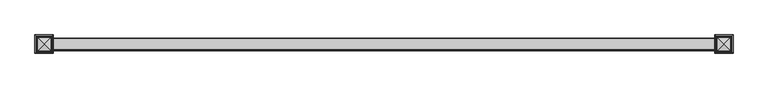
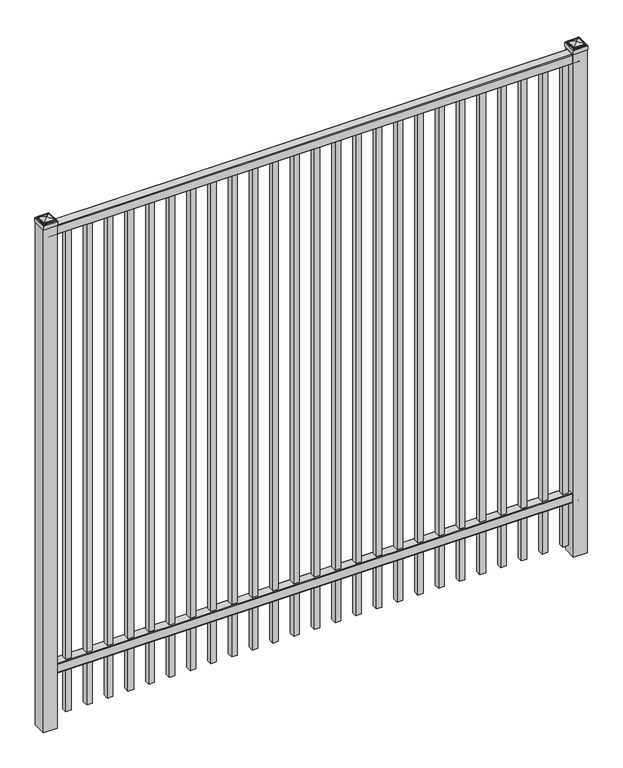
"""IFC4 building model written with IfcOpenShell, lengths in millimetres: railing geometry."""

import ifcopenshell
import ifcopenshell.guid

model = None  # the IFC model being written
_history = None  # IfcOwnerHistory: only IFC2X3 demands one
_inside = {}  # id of a spatial element -> (the spatial element, [elements in it])
_under = {}  # id of a project, library or spatial element -> (it, [spatial elements below it])
_declared = {}  # id of a project -> (the project, [libraries it declares])
_typed = {}  # id of a type object -> (the type object, [elements of that type])
_made_of = {}  # id of a material, layer set ... -> (it, [elements and type objects made of it])


def new_model(schema):
    """Start an empty IFC model of exactly this schema.

    Asked for "IFC4X3", IfcOpenShell would pick the latest addendum, in which some entities
    have other attributes; the version numbers below select the first issue.
    IFC2X3 requires an IfcOwnerHistory on every rooted entity: one is made here for all.
    """
    global model, _history
    if schema == "IFC4X3":
        model = ifcopenshell.file(schema_version=(4, 3, 0, 0))
    else:
        model = ifcopenshell.file(schema=schema)
    _inside.clear()
    _under.clear()
    _declared.clear()
    _typed.clear()
    _made_of.clear()
    _history = None
    if model.schema == "IFC2X3":
        org = make("IfcOrganization", Name="unknown")
        user = make(
            "IfcPersonAndOrganization",
            ThePerson=make("IfcPerson", FamilyName="unknown"),
            TheOrganization=org,
        )
        app = make(
            "IfcApplication",
            ApplicationDeveloper=org,
            Version="unknown",
            ApplicationFullName="unknown",
            ApplicationIdentifier="unknown",
        )
        _history = make(
            "IfcOwnerHistory",
            OwningUser=user,
            OwningApplication=app,
            ChangeAction="ADDED",
            CreationDate=0,
        )
    return model


def make(cls, **values):
    """One entity of the class cls with the attributes given. An attribute that is None is left unset."""
    return model.create_entity(
        cls, **{name: value for name, value in values.items() if value is not None}
    )


def rooted(cls, **values):
    """An entity with a GlobalId (a new one), such as an element, a storey or a relation."""
    return make(cls, GlobalId=ifcopenshell.guid.new(), OwnerHistory=_history, **values)


def si_unit(unit_type, name, prefix=None):
    """IfcSIUnit, for example si_unit("LENGTHUNIT", "METRE", prefix="MILLI")."""
    return make("IfcSIUnit", UnitType=unit_type, Prefix=prefix, Name=name)


def assignment(units):
    """IfcUnitAssignment: the units of a project."""
    return None if units is None else make("IfcUnitAssignment", Units=units)


def point(xyz):
    """IfcCartesianPoint."""
    return None if xyz is None else make("IfcCartesianPoint", Coordinates=xyz)


def direction(xyz):
    """IfcDirection."""
    return None if xyz is None else make("IfcDirection", DirectionRatios=xyz)


def frame(location, z_axis=None, x_axis=None):
    """IfcAxis2Placement3D, a coordinate frame: its origin and axes. An axis left out is left unset."""
    return make(
        "IfcAxis2Placement3D",
        Location=point(location),
        Axis=direction(z_axis),
        RefDirection=direction(x_axis),
    )


def frame_2d(location, x_axis=None):
    """IfcAxis2Placement2D, a coordinate frame in the plane: its origin and x axis."""
    return make(
        "IfcAxis2Placement2D", Location=point(location), RefDirection=direction(x_axis)
    )


def origin():
    """The frame at (0, 0, 0) with its axes left unset."""
    return frame((0.0, 0.0, 0.0))


def origin_with_axes():
    """The frame at (0, 0, 0) with the z axis (0, 0, 1) and the x axis (1, 0, 0) written out."""
    return frame((0.0, 0.0, 0.0), z_axis=(0.0, 0.0, 1.0), x_axis=(1.0, 0.0, 0.0))


def place(relative_to, where):
    """IfcLocalPlacement: puts the frame where relative to a parent placement (None: the world)."""
    return make(
        "IfcLocalPlacement", PlacementRelTo=relative_to, RelativePlacement=where
    )


def context(
    kind, dimensions, precision=None, world=None, true_north=None, identifier=None
):
    """IfcGeometricRepresentationContext, for example the 3D "Model" context."""
    return make(
        "IfcGeometricRepresentationContext",
        ContextIdentifier=identifier,
        ContextType=kind,
        CoordinateSpaceDimension=dimensions,
        Precision=precision,
        WorldCoordinateSystem=world,
        TrueNorth=true_north,
    )


def project(units=None, contexts=None):
    """IfcProject with its units and contexts."""
    return rooted(
        "IfcProject",
        Name="project",
        RepresentationContexts=contexts,
        UnitsInContext=assignment(units),
    )


def spatial(cls, under=None, at=None, **own):
    """A site, building, storey or space (cls), placed at a placement, below another one or the project."""
    s = rooted(cls, ObjectPlacement=at, **own)
    if under is not None:
        _under.setdefault(under.id(), (under, []))[1].append(s)
    return s


def polyline(points):
    """IfcPolyline through the points."""
    return make("IfcPolyline", Points=[point(p) for p in points])


def circle_curve(where, radius):
    """IfcCircle in the frame where."""
    return make("IfcCircle", Position=where, Radius=radius)


def ellipse_curve(where, semi_axis1, semi_axis2):
    """IfcEllipse in the frame where."""
    return make(
        "IfcEllipse", Position=where, SemiAxis1=semi_axis1, SemiAxis2=semi_axis2
    )


def trimmed(basis, trim1, trim2, sense, master):
    """IfcTrimmedCurve: the piece of a basis curve between two trims."""
    return make(
        "IfcTrimmedCurve",
        BasisCurve=basis,
        Trim1=trim1,
        Trim2=trim2,
        SenseAgreement=sense,
        MasterRepresentation=master,
    )


def segment(curve, same_sense, transition):
    """IfcCompositeCurveSegment."""
    return make(
        "IfcCompositeCurveSegment",
        Transition=transition,
        SameSense=same_sense,
        ParentCurve=curve,
    )


def composite_curve(segments, self_intersect=None):
    """IfcCompositeCurve: segments joined end to end."""
    return make("IfcCompositeCurve", Segments=segments, SelfIntersect=self_intersect)


def outline(outer, holes=None, kind="AREA"):
    """IfcArbitraryClosedProfileDef: a profile drawn as a closed curve; with holes, ...WithVoids."""
    if holes is None:
        return make("IfcArbitraryClosedProfileDef", ProfileType=kind, OuterCurve=outer)
    return make(
        "IfcArbitraryProfileDefWithVoids",
        ProfileType=kind,
        OuterCurve=outer,
        InnerCurves=holes,
    )


def extrude(swept, where, along, depth):
    """IfcExtrudedAreaSolid: the profile swept, set in the frame where, extruded along a direction by depth."""
    return make(
        "IfcExtrudedAreaSolid",
        SweptArea=swept,
        Position=where,
        ExtrudedDirection=direction(along),
        Depth=depth,
    )


def shape(context_of_items, identifier, shape_type, items):
    """IfcShapeRepresentation: the items that make up one representation, for example the "Body"."""
    return make(
        "IfcShapeRepresentation",
        ContextOfItems=context_of_items,
        RepresentationIdentifier=identifier,
        RepresentationType=shape_type,
        Items=items,
    )


def source(mapping_origin, context_of_items, identifier, shape_type, items):
    """IfcRepresentationMap: a shape defined once, which mapped items show again and again."""
    return make(
        "IfcRepresentationMap",
        MappingOrigin=mapping_origin,
        MappedRepresentation=shape(context_of_items, identifier, shape_type, items),
    )


def transform(
    local_origin,
    x_axis=None,
    y_axis=None,
    z_axis=None,
    scale=None,
    scale2=None,
    scale3=None,
    uniform=True,
):
    """IfcCartesianTransformationOperator3D, or its non-uniform kind. x_axis, y_axis, z_axis: its Axis1, 2, 3."""
    if uniform:
        return make(
            "IfcCartesianTransformationOperator3D",
            Axis1=direction(x_axis),
            Axis2=direction(y_axis),
            LocalOrigin=point(local_origin),
            Scale=scale,
            Axis3=direction(z_axis),
        )
    return make(
        "IfcCartesianTransformationOperator3DnonUniform",
        Axis1=direction(x_axis),
        Axis2=direction(y_axis),
        LocalOrigin=point(local_origin),
        Scale=scale,
        Axis3=direction(z_axis),
        Scale2=scale2,
        Scale3=scale3,
    )


def mapped(mapping_source, mapping_target):
    """IfcMappedItem: shows the shape of a source again, moved by a transform."""
    return make(
        "IfcMappedItem", MappingSource=mapping_source, MappingTarget=mapping_target
    )


def made_of(thing, what):
    """Note that an element or type object is made of a material, layer set ...; save() writes the relation."""
    if what is not None:
        _made_of.setdefault(what.id(), (what, []))[1].append(thing)
    return thing


def element(
    cls,
    number,
    at=None,
    inside=None,
    cuts=None,
    type_object=None,
    material=None,
    context=None,
    identifier="Body",
    shape_type=None,
    held_by="IfcProductDefinitionShape",
    body=None,
    shapes=None,
    **own,
):
    """One element of the class cls, such as IfcWall. Its Tag is "e" and its number.

    at: its placement. inside: the storey or other place that contains it. cuts: it is an
    opening in that element (IfcRelVoidsElement). A single representation is given by context,
    identifier, shape_type and body (its items); several are given by shapes. held_by: the class
    of the entity that holds the representations. save() writes the other relations.
    """
    e = rooted(cls, Tag="e%d" % number, ObjectPlacement=at, **own)
    if body is not None:
        shapes = [shape(context, identifier, shape_type, body)]
    if shapes is not None:
        e.Representation = make(held_by, Representations=shapes)
    if inside is not None:
        _inside.setdefault(inside.id(), (inside, []))[1].append(e)
    if cuts is not None:
        rooted(
            "IfcRelVoidsElement", RelatingBuildingElement=cuts, RelatedOpeningElement=e
        )
    if type_object is not None:
        _typed.setdefault(type_object.id(), (type_object, []))[1].append(e)
    return made_of(e, material)


def aggregate(whole, parts):
    """IfcRelAggregates: a whole, such as a stair, and the parts it consists of."""
    return rooted("IfcRelAggregates", RelatingObject=whole, RelatedObjects=parts)


def save(model, path):
    """Write the relations noted so far, then the file.

    IfcRelAggregates (storeys below a building ...), IfcRelContainedInSpatialStructure (elements
    in a storey), IfcRelDefinesByType, IfcRelAssociatesMaterial and IfcRelDeclares: one each for
    every whole, place, type object, material and project.
    """
    for whole, parts in _under.values():
        aggregate(whole, parts)
    for where, things in _inside.values():
        rooted(
            "IfcRelContainedInSpatialStructure",
            RelatedElements=things,
            RelatingStructure=where,
        )
    for kind, things in _typed.values():
        rooted("IfcRelDefinesByType", RelatedObjects=things, RelatingType=kind)
    for what, things in _made_of.values():
        rooted("IfcRelAssociatesMaterial", RelatedObjects=things, RelatingMaterial=what)
    for by, libraries in _declared.values():
        rooted("IfcRelDeclares", RelatingContext=by, RelatedDefinitions=libraries)
    model.write(path)


def plane_surface(at):
    """IfcPlane: the flat surface through the origin of the frame at, square to its z axis."""
    return make("IfcPlane", Position=at)


def cylinder_surface(at, radius):
    """IfcCylindricalSurface: all points at the distance radius from the z axis of the frame at."""
    return make("IfcCylindricalSurface", Position=at, Radius=radius)


def advanced_brep(points, edges, surfaces, faces):
    """IfcAdvancedBrep: a solid bounded by faces that lie on surfaces and meet in shared edges.

    An edge is (start, end): straight between two places in points (the first is 0);
    or (start, end, curve); or (start, end, curve, False) where it runs against its curve.
    A face is (place in surfaces, loops), or (place, loops, False) where it looks against
    its surface's normal. A loop lists edges by number (the first is 1), with a minus sign
    where the edge is run from its end to its start. The first loop is the outer one.
    """
    corners = [point(p) for p in points]
    vertices = [make("IfcVertexPoint", VertexGeometry=c) for c in corners]
    made = []
    for start, end, *more in edges:
        made.append(
            make(
                "IfcEdgeCurve",
                EdgeStart=vertices[start],
                EdgeEnd=vertices[end],
                EdgeGeometry=more[0] if more else make("IfcPolyline", Points=[corners[start], corners[end]]),
                SameSense=more[1] if len(more) > 1 else True,
            )
        )
    hull = []
    for where, loops, *sense in faces:
        bounds = []
        for j, loop in enumerate(loops):
            ring = [make("IfcOrientedEdge", EdgeElement=made[abs(k) - 1], Orientation=k > 0) for k in loop]
            bounds.append(
                make(
                    "IfcFaceOuterBound" if j == 0 else "IfcFaceBound",
                    Bound=make("IfcEdgeLoop", EdgeList=ring),
                    Orientation=True,
                )
            )
        hull.append(make("IfcAdvancedFace", Bounds=bounds, FaceSurface=surfaces[where], SameSense=sense[0] if sense else True))
    return make("IfcAdvancedBrep", Outer=make("IfcClosedShell", CfsFaces=hull))


def railing_b44b1d10(model_context):
    return source(origin(), model_context, "Body", "SolidModel", [
        extrude(outline(composite_curve([segment(polyline([(7301.9139761, 304.8), (7339.969541, 304.8)]), True, "CONTINUOUS"), segment(trimmed(circle_curve(frame_2d((7339.969541, 301.625)), 3.175), [point((7339.969541, 304.8))], [point((7343.144541, 301.625))], False, "CARTESIAN"), True, "CONTINUOUS"), segment(polyline([(7343.144541, 301.625), (7343.144541, 262.1439893)]), True, "CONTINUOUS"), segment(trimmed(circle_curve(frame_2d((7341.3505518, 262.1439893)), 1.7939893), [point((7343.144541, 262.1439893))], [point((7341.3505518, 260.35))], False, "CARTESIAN"), True, "CONTINUOUS"), segment(polyline([(7341.3505518, 260.35), (7338.7590713, 260.35)]), True, "CONTINUOUS"), segment(trimmed(circle_curve(frame_2d((7338.7590713, 262.1359375)), 1.7859375), [point((7338.7590713, 260.35))], [point((7336.9755813, 262.0424688))], False, "CARTESIAN"), True, "CONTINUOUS"), segment(polyline([(7336.9755813, 262.0424688), (7335.4025867, 292.0569942), (7306.4364954, 292.0569942), (7304.8635007, 262.0424688)]), True, "CONTINUOUS"), segment(trimmed(circle_curve(frame_2d((7303.0800108, 262.1359375)), 1.7859375), [point((7304.8635007, 262.0424688))], [point((7303.0800108, 260.35))], False, "CARTESIAN"), True, "CONTINUOUS"), segment(polyline([(7303.0800108, 260.35), (7300.4804785, 260.35)]), True, "CONTINUOUS"), segment(trimmed(circle_curve(frame_2d((7300.4804785, 262.1359375)), 1.7859375), [point((7300.4804785, 260.35))], [point((7298.694541, 262.1359375))], False, "CARTESIAN"), True, "CONTINUOUS"), segment(polyline([(7298.694541, 262.1359375), (7298.694541, 301.5805649)]), True, "CONTINUOUS"), segment(trimmed(circle_curve(frame_2d((7301.9139761, 301.5805649)), 3.2194351), [point((7298.694541, 301.5805649))], [point((7301.9139761, 304.8))], False, "CARTESIAN"), True, "CONTINUOUS")], self_intersect=False)), frame((-15337.0649936, 0.0, 0.0), z_axis=(1.0, 0.0, 0.0), x_axis=(0.0, 1.0, 0.0)), (0.0, 0.0, 1.0), 2438.4),
        extrude(outline(composite_curve([segment(polyline([(7301.9139761, 2438.4), (7339.969541, 2438.4)]), True, "CONTINUOUS"), segment(trimmed(circle_curve(frame_2d((7339.969541, 2435.225)), 3.175), [point((7339.969541, 2438.4))], [point((7343.144541, 2435.225))], False, "CARTESIAN"), True, "CONTINUOUS"), segment(polyline([(7343.144541, 2435.225), (7343.144541, 2395.7439893)]), True, "CONTINUOUS"), segment(trimmed(circle_curve(frame_2d((7341.3505518, 2395.7439893)), 1.7939893), [point((7343.144541, 2395.7439893))], [point((7341.3505518, 2393.95))], False, "CARTESIAN"), True, "CONTINUOUS"), segment(polyline([(7341.3505518, 2393.95), (7338.7590713, 2393.95)]), True, "CONTINUOUS"), segment(trimmed(circle_curve(frame_2d((7338.7590713, 2395.7359375)), 1.7859375), [point((7338.7590713, 2393.95))], [point((7336.9755813, 2395.6424688))], False, "CARTESIAN"), True, "CONTINUOUS"), segment(polyline([(7336.9755813, 2395.6424688), (7335.4025867, 2425.6569942), (7306.4364954, 2425.6569942), (7304.8635007, 2395.6424688)]), True, "CONTINUOUS"), segment(trimmed(circle_curve(frame_2d((7303.0800108, 2395.7359375)), 1.7859375), [point((7304.8635007, 2395.6424688))], [point((7303.0800108, 2393.95))], False, "CARTESIAN"), True, "CONTINUOUS"), segment(polyline([(7303.0800108, 2393.95), (7300.4804785, 2393.95)]), True, "CONTINUOUS"), segment(trimmed(circle_curve(frame_2d((7300.4804785, 2395.7359375)), 1.7859375), [point((7300.4804785, 2393.95))], [point((7298.694541, 2395.7359375))], False, "CARTESIAN"), True, "CONTINUOUS"), segment(polyline([(7298.694541, 2395.7359375), (7298.694541, 2435.1805649)]), True, "CONTINUOUS"), segment(trimmed(circle_curve(frame_2d((7301.9139761, 2435.1805649)), 3.2194351), [point((7298.694541, 2435.1805649))], [point((7301.9139761, 2438.4))], False, "CARTESIAN"), True, "CONTINUOUS")], self_intersect=False)), frame((-15337.0649936, 0.0, 0.0), z_axis=(1.0, 0.0, 0.0), x_axis=(0.0, 1.0, 0.0)), (0.0, 0.0, 1.0), 2438.4),
        extrude(outline(polyline([(0.0, -2343.15), (0.0, 0.0), (25.4, 0.0), (25.4, -2343.15), (0.0, -2343.15)])), frame((-12943.1149864, 7333.619541, 2393.95), z_axis=(-1.0, 0.0, 1.7709660025718264e-09), x_axis=(0.0, -1.0, 0.0)), (0.0, 0.0, 1.0), 25.4),
        extrude(outline(polyline([(0.0, -2343.15), (0.0, 0.0), (25.4, 0.0), (25.4, -2343.15), (0.0, -2343.15)])), frame((-13038.3649864, 7333.619541, 2393.95), z_axis=(-1.0, 0.0, 1.7709660025718264e-09), x_axis=(0.0, -1.0, 0.0)), (0.0, 0.0, 1.0), 25.4),
        extrude(outline(polyline([(0.0, -2343.15), (0.0, 0.0), (25.4, 0.0), (25.4, -2343.15), (0.0, -2343.15)])), frame((-13133.6149864, 7333.619541, 2393.95), z_axis=(-1.0, 0.0, 1.7709660025718264e-09), x_axis=(0.0, -1.0, 0.0)), (0.0, 0.0, 1.0), 25.4),
        extrude(outline(polyline([(0.0, -2343.15), (0.0, 0.0), (25.4, 0.0), (25.4, -2343.15), (0.0, -2343.15)])), frame((-13228.8649864, 7333.619541, 2393.95), z_axis=(-1.0, 0.0, 1.7709660025718264e-09), x_axis=(0.0, -1.0, 0.0)), (0.0, 0.0, 1.0), 25.4),
        extrude(outline(polyline([(0.0, -2343.15), (0.0, 0.0), (25.4, 0.0), (25.4, -2343.15), (0.0, -2343.15)])), frame((-13324.1149864, 7333.619541, 2393.95), z_axis=(-1.0, 0.0, 1.7709660025718264e-09), x_axis=(0.0, -1.0, 0.0)), (0.0, 0.0, 1.0), 25.4),
        extrude(outline(polyline([(0.0, -2343.15), (0.0, 0.0), (25.4, 0.0), (25.4, -2343.15), (0.0, -2343.15)])), frame((-13419.3649864, 7333.619541, 2393.95), z_axis=(-1.0, 0.0, 1.7709660025718264e-09), x_axis=(0.0, -1.0, 0.0)), (0.0, 0.0, 1.0), 25.4),
        extrude(outline(polyline([(0.0, -2343.15), (0.0, 0.0), (25.4, 0.0), (25.4, -2343.15), (0.0, -2343.15)])), frame((-13514.6149864, 7333.619541, 2393.95), z_axis=(-1.0, 0.0, 1.7709660025718264e-09), x_axis=(0.0, -1.0, 0.0)), (0.0, 0.0, 1.0), 25.4),
        extrude(outline(polyline([(0.0, -2343.15), (0.0, 0.0), (25.4, 0.0), (25.4, -2343.15), (0.0, -2343.15)])), frame((-13609.8649864, 7333.619541, 2393.95), z_axis=(-1.0, 0.0, 1.7709660025718264e-09), x_axis=(0.0, -1.0, 0.0)), (0.0, 0.0, 1.0), 25.4),
        extrude(outline(polyline([(0.0, -2343.15), (0.0, 0.0), (25.4, 0.0), (25.4, -2343.15), (0.0, -2343.15)])), frame((-13705.1149864, 7333.619541, 2393.95), z_axis=(-1.0, 0.0, 1.7709660025718264e-09), x_axis=(0.0, -1.0, 0.0)), (0.0, 0.0, 1.0), 25.4),
        extrude(outline(polyline([(0.0, -2343.15), (0.0, 0.0), (25.4, 0.0), (25.4, -2343.15), (0.0, -2343.15)])), frame((-13800.3649864, 7333.619541, 2393.95), z_axis=(-1.0, 0.0, 1.7709660025718264e-09), x_axis=(0.0, -1.0, 0.0)), (0.0, 0.0, 1.0), 25.4),
        extrude(outline(polyline([(0.0, -2343.15), (0.0, 0.0), (25.4, 0.0), (25.4, -2343.15), (0.0, -2343.15)])), frame((-13895.6149864, 7333.619541, 2393.95), z_axis=(-1.0, 0.0, 1.7709660025718264e-09), x_axis=(0.0, -1.0, 0.0)), (0.0, 0.0, 1.0), 25.4),
        extrude(outline(polyline([(0.0, -2343.15), (0.0, 0.0), (25.4, 0.0), (25.4, -2343.15), (0.0, -2343.15)])), frame((-13990.8649864, 7333.619541, 2393.95), z_axis=(-1.0, 0.0, 1.7709660025718264e-09), x_axis=(0.0, -1.0, 0.0)), (0.0, 0.0, 1.0), 25.4),
        extrude(outline(polyline([(0.0, -2343.15), (0.0, 0.0), (25.4, 0.0), (25.4, -2343.15), (0.0, -2343.15)])), frame((-14086.1149864, 7333.619541, 2393.95), z_axis=(-1.0, 0.0, 1.7709660025718264e-09), x_axis=(0.0, -1.0, 0.0)), (0.0, 0.0, 1.0), 25.4),
        extrude(outline(polyline([(0.0, -2343.15), (0.0, 0.0), (25.4, 0.0), (25.4, -2343.15), (0.0, -2343.15)])), frame((-14181.3649864, 7333.619541, 2393.95), z_axis=(-1.0, 0.0, 1.7709660025718264e-09), x_axis=(0.0, -1.0, 0.0)), (0.0, 0.0, 1.0), 25.4),
        extrude(outline(polyline([(0.0, -2343.15), (0.0, 0.0), (25.4, 0.0), (25.4, -2343.15), (0.0, -2343.15)])), frame((-14276.6149864, 7333.619541, 2393.95), z_axis=(-1.0, 0.0, 1.7709660025718264e-09), x_axis=(0.0, -1.0, 0.0)), (0.0, 0.0, 1.0), 25.4),
        extrude(outline(polyline([(0.0, -2343.15), (0.0, 0.0), (25.4, 0.0), (25.4, -2343.15), (0.0, -2343.15)])), frame((-14371.8649864, 7333.619541, 2393.95), z_axis=(-1.0, 0.0, 1.7709660025718264e-09), x_axis=(0.0, -1.0, 0.0)), (0.0, 0.0, 1.0), 25.4),
        extrude(outline(polyline([(0.0, -2343.15), (0.0, 0.0), (25.4, 0.0), (25.4, -2343.15), (0.0, -2343.15)])), frame((-14467.1149864, 7333.619541, 2393.95), z_axis=(-1.0, 0.0, 1.7709660025718264e-09), x_axis=(0.0, -1.0, 0.0)), (0.0, 0.0, 1.0), 25.4),
        extrude(outline(polyline([(0.0, -2343.15), (0.0, 0.0), (25.4, 0.0), (25.4, -2343.15), (0.0, -2343.15)])), frame((-14562.3649864, 7333.619541, 2393.95), z_axis=(-1.0, 0.0, 1.7709660025718264e-09), x_axis=(0.0, -1.0, 0.0)), (0.0, 0.0, 1.0), 25.4),
        extrude(outline(polyline([(0.0, -2343.15), (0.0, 0.0), (25.4, 0.0), (25.4, -2343.15), (0.0, -2343.15)])), frame((-14657.6149864, 7333.619541, 2393.95), z_axis=(-1.0, 0.0, 1.7709660025718264e-09), x_axis=(0.0, -1.0, 0.0)), (0.0, 0.0, 1.0), 25.4),
        extrude(outline(polyline([(0.0, -2343.15), (0.0, 0.0), (25.4, 0.0), (25.4, -2343.15), (0.0, -2343.15)])), frame((-14752.8649864, 7333.619541, 2393.95), z_axis=(-1.0, 0.0, 1.7709660025718264e-09), x_axis=(0.0, -1.0, 0.0)), (0.0, 0.0, 1.0), 25.4),
        extrude(outline(polyline([(0.0, -2343.15), (0.0, 0.0), (25.4, 0.0), (25.4, -2343.15), (0.0, -2343.15)])), frame((-14848.1149864, 7333.619541, 2393.95), z_axis=(-1.0, 0.0, 1.7709660025718264e-09), x_axis=(0.0, -1.0, 0.0)), (0.0, 0.0, 1.0), 25.4),
        extrude(outline(polyline([(0.0, -2343.15), (0.0, 0.0), (25.4, 0.0), (25.4, -2343.15), (0.0, -2343.15)])), frame((-14943.3649864, 7333.619541, 2393.95), z_axis=(-1.0, 0.0, 1.7709660025718264e-09), x_axis=(0.0, -1.0, 0.0)), (0.0, 0.0, 1.0), 25.4),
        extrude(outline(polyline([(0.0, -2343.15), (0.0, 0.0), (25.4, 0.0), (25.4, -2343.15), (0.0, -2343.15)])), frame((-15038.6149864, 7333.619541, 2393.95), z_axis=(-1.0, 0.0, 1.7709660025718264e-09), x_axis=(0.0, -1.0, 0.0)), (0.0, 0.0, 1.0), 25.4),
        extrude(outline(polyline([(0.0, -2343.15), (0.0, 0.0), (25.4, 0.0), (25.4, -2343.15), (0.0, -2343.15)])), frame((-15133.8649864, 7333.619541, 2393.95), z_axis=(-1.0, 0.0, 1.7709660025718264e-09), x_axis=(0.0, -1.0, 0.0)), (0.0, 0.0, 1.0), 25.4),
        extrude(outline(polyline([(0.0, -2343.15), (0.0, 0.0), (25.4, 0.0), (25.4, -2343.15), (0.0, -2343.15)])), frame((-15229.1149864, 7333.619541, 2393.95), z_axis=(-1.0, 0.0, 1.7709660025718264e-09), x_axis=(0.0, -1.0, 0.0)), (0.0, 0.0, 1.0), 25.4),
        extrude(outline(polyline([(-12866.9149936, 7352.669541), (-12866.9149936, 7289.169541), (-12930.4149936, 7289.169541), (-12930.4149936, 7352.669541), (-12866.9149936, 7352.669541)])), origin_with_axes(), (0.0, 0.0, 1.0), 2446.3375),
        advanced_brep(
        [(-12932.0024936, 7354.257041, 2464.59375), (-12932.0024936, 7354.257041, 2446.3375), (-12932.0024936, 7287.582041, 2446.3375), (-12932.0024936, 7287.582041, 2464.59375), (-12929.6212436, 7351.875791, 2466.975), (-12929.6212436, 7289.963291, 2466.975), (-12927.2399936, 7349.494541, 2469.35625), (-12927.2399936, 7349.494541, 2466.975), (-12927.2399936, 7292.344541, 2466.975), (-12927.2399936, 7292.344541, 2469.35625), (-12924.8587436, 7347.113291, 2471.7375), (-12924.8587436, 7294.725791, 2471.7375), (-12898.6649936, 7320.919541, 2478.0875), (-12922.4774936, 7344.732041, 2471.7375), (-12922.4774936, 7297.107041, 2471.7375), (-12865.3274936, 7287.582041, 2446.3375), (-12865.3274936, 7287.582041, 2464.59375), (-12867.7087436, 7289.963291, 2466.975), (-12870.0899936, 7292.344541, 2466.975), (-12870.0899936, 7292.344541, 2469.35625), (-12872.4712436, 7294.725791, 2471.7375), (-12874.8524936, 7297.107041, 2471.7375), (-12865.3274936, 7354.257041, 2446.3375), (-12865.3274936, 7354.257041, 2464.59375), (-12867.7087436, 7351.875791, 2466.975), (-12870.0899936, 7349.494541, 2466.975), (-12870.0899936, 7349.494541, 2469.35625), (-12872.4712436, 7347.113291, 2471.7375), (-12874.8524936, 7344.732041, 2471.7375)],
        [
            (0, 1),
            (1, 2),
            (2, 3),
            (3, 0),
            (4, 0, ellipse_curve(frame((-12929.6212436, 7351.875791, 2464.59375), z_axis=(-0.70710678118655, -0.7071067811865449, 0.0), x_axis=(-0.7071067811865448, 0.7071067811865501, 0.0)), 3.367596, 2.38125)),
            (3, 5, ellipse_curve(frame((-12929.6212436, 7289.963291, 2464.59375), z_axis=(-0.7071067811865449, 0.70710678118655, 0.0), x_axis=(0.7071067811865499, 0.707106781186545, 0.0)), 3.367596, 2.38125)),
            (5, 4),
            (6, 7),
            (7, 8),
            (8, 9),
            (9, 6),
            (10, 6, ellipse_curve(frame((-12924.8587436, 7347.113291, 2469.35625), z_axis=(-0.70710678118655, -0.7071067811865449, 0.0), x_axis=(-0.7071067811865448, 0.7071067811865501, 0.0)), 3.367596, 2.38125)),
            (9, 11, ellipse_curve(frame((-12924.8587436, 7294.725791, 2469.35625), z_axis=(-0.7071067811865449, 0.70710678118655, 0.0), x_axis=(0.7071067811865499, 0.707106781186545, 0.0)), 3.367596, 2.38125)),
            (11, 10),
            (12, 13, ellipse_curve(frame((-12898.6649936, 7320.919541, 2430.2640625), z_axis=(-0.70710678118655, -0.7071067811865449, 0.0), x_axis=(-0.7071067811865448, 0.7071067811865501, 0.0)), 67.6325539, 47.8234375)),
            (13, 14),
            (14, 12, ellipse_curve(frame((-12898.6649936, 7320.919541, 2430.2640625), z_axis=(-0.7071067811865449, 0.70710678118655, 0.0), x_axis=(0.7071067811865499, 0.707106781186545, 0.0)), 67.6325539, 47.8234375)),
            (2, 15),
            (15, 16),
            (16, 3),
            (16, 17, ellipse_curve(frame((-12867.7087436, 7289.963291, 2464.59375), z_axis=(-0.70710678118655, -0.707106781186545, 0.0), x_axis=(-0.707106781186545, 0.70710678118655, 0.0)), 3.367596, 2.38125)),
            (17, 5),
            (8, 18),
            (18, 19),
            (19, 9),
            (19, 20, ellipse_curve(frame((-12872.4712436, 7294.725791, 2469.35625), z_axis=(-0.70710678118655, -0.707106781186545, 0.0), x_axis=(-0.707106781186545, 0.70710678118655, 0.0)), 3.367596, 2.38125)),
            (20, 11),
            (14, 21),
            (21, 12, ellipse_curve(frame((-12898.6649936, 7320.919541, 2430.2640625), z_axis=(-0.70710678118655, -0.707106781186545, 0.0), x_axis=(-0.707106781186545, 0.70710678118655, 0.0)), 67.6325539, 47.8234375)),
            (15, 22),
            (22, 23),
            (23, 16),
            (23, 24, ellipse_curve(frame((-12867.7087436, 7351.875791, 2464.59375), z_axis=(0.707106781186545, -0.7071067811865499, 0.0), x_axis=(-0.7071067811865497, -0.7071067811865452, 0.0)), 3.367596, 2.38125)),
            (24, 17),
            (18, 25),
            (25, 26),
            (26, 19),
            (26, 27, ellipse_curve(frame((-12872.4712436, 7347.113291, 2469.35625), z_axis=(0.707106781186545, -0.7071067811865499, 0.0), x_axis=(-0.7071067811865497, -0.7071067811865452, 0.0)), 3.367596, 2.38125)),
            (27, 20),
            (21, 28),
            (28, 12, ellipse_curve(frame((-12898.6649936, 7320.919541, 2430.2640625), z_axis=(0.707106781186545, -0.7071067811865499, 0.0), x_axis=(-0.7071067811865497, -0.7071067811865452, 0.0)), 67.6325539, 47.8234375)),
            (22, 1),
            (0, 23),
            (4, 24),
            (7, 25),
            (6, 26),
            (10, 27),
            (13, 28),
        ],
        [
            plane_surface(frame((-12932.0024936, 7354.257041, 2446.3375), z_axis=(-1.0, 0.0, 0.0), x_axis=(0.0, -1.0, 0.0))),
            cylinder_surface(frame((-12929.6212436, 7352.669541, 2464.59375), z_axis=(0.0, 1.0, 0.0), x_axis=(1.0, 0.0, 0.0)), 2.38125),
            plane_surface(frame((-12927.2399936, 7349.494541, 2466.975), z_axis=(-1.0, 0.0, 0.0), x_axis=(0.0, -1.0, 0.0))),
            cylinder_surface(frame((-12924.8587436, 7352.669541, 2469.35625), z_axis=(0.0, 1.0, 0.0), x_axis=(1.0, 0.0, 0.0)), 2.38125),
            cylinder_surface(frame((-12898.6649936, 7352.669541, 2430.2640625), z_axis=(0.0, 1.0, 0.0), x_axis=(1.0, 0.0, 0.0)), 47.8234375),
            plane_surface(frame((-12932.0024936, 7287.582041, 2446.3375), z_axis=(0.0, -1.0, 0.0), x_axis=(1.0, 0.0, 0.0))),
            cylinder_surface(frame((-12930.4149936, 7289.963291, 2464.59375), z_axis=(-1.0, 0.0, 0.0), x_axis=(0.0, 1.0, 0.0)), 2.38125),
            plane_surface(frame((-12927.2399936, 7292.344541, 2466.975), z_axis=(0.0, -1.0, 0.0), x_axis=(1.0, 0.0, 0.0))),
            cylinder_surface(frame((-12930.4149936, 7294.725791, 2469.35625), z_axis=(-1.0, 0.0, 0.0), x_axis=(0.0, 1.0, 0.0)), 2.38125),
            cylinder_surface(frame((-12930.4149936, 7320.919541, 2430.2640625), z_axis=(-1.0, 0.0, 0.0), x_axis=(0.0, 1.0, 0.0)), 47.8234375),
            plane_surface(frame((-12865.3274936, 7287.582041, 2446.3375), z_axis=(1.0, 0.0, 0.0), x_axis=(0.0, 1.0, 0.0))),
            cylinder_surface(frame((-12867.7087436, 7289.169541, 2464.59375), z_axis=(0.0, -1.0, 0.0), x_axis=(-1.0, 0.0, 0.0)), 2.38125),
            plane_surface(frame((-12870.0899936, 7292.344541, 2466.975), z_axis=(1.0, 0.0, 0.0), x_axis=(0.0, 1.0, 0.0))),
            cylinder_surface(frame((-12872.4712436, 7289.169541, 2469.35625), z_axis=(0.0, -1.0, 0.0), x_axis=(-1.0, 0.0, 0.0)), 2.38125),
            cylinder_surface(frame((-12898.6649936, 7289.169541, 2430.2640625), z_axis=(0.0, -1.0, 0.0), x_axis=(-1.0, 0.0, 0.0)), 47.8234375),
            plane_surface(frame((-12865.3274936, 7354.257041, 2446.3375), z_axis=(0.0, 1.0, 0.0), x_axis=(-1.0, 0.0, 0.0))),
            cylinder_surface(frame((-12866.9149936, 7351.875791, 2464.59375), z_axis=(1.0, 0.0, 0.0), x_axis=(0.0, -1.0, 0.0)), 2.38125),
            plane_surface(frame((-12867.7087436, 7351.875791, 2466.975), z_axis=(0.0, 0.0, 1.0), x_axis=(-1.0, 0.0, 0.0))),
            plane_surface(frame((-12870.0899936, 7349.494541, 2466.975), z_axis=(0.0, 1.0, 0.0), x_axis=(-1.0, 0.0, 0.0))),
            cylinder_surface(frame((-12866.9149936, 7347.113291, 2469.35625), z_axis=(1.0, 0.0, 0.0), x_axis=(0.0, -1.0, 0.0)), 2.38125),
            plane_surface(frame((-12872.4712436, 7347.113291, 2471.7375), z_axis=(0.0, 0.0, 1.0), x_axis=(-1.0, 0.0, 0.0))),
            cylinder_surface(frame((-12866.9149936, 7320.919541, 2430.2640625), z_axis=(1.0, 0.0, 0.0), x_axis=(0.0, -1.0, 0.0)), 47.8234375),
            plane_surface(frame((-12898.6649936, 7320.919541, 2446.3375), z_axis=(0.0, 0.0, -1.0), x_axis=(-1.0, 0.0, 0.0))),
        ],
        [
            (0, [[1, 2, 3, 4]]),
            (1, [[5, -4, 6, 7]]),
            (2, [[8, 9, 10, 11]]),
            (3, [[12, -11, 13, 14]]),
            (4, [[15, 16, 17]]),
            (5, [[-3, 18, 19, 20]]),
            (6, [[-6, -20, 21, 22]]),
            (7, [[-10, 23, 24, 25]]),
            (8, [[-13, -25, 26, 27]]),
            (9, [[-17, 28, 29]]),
            (10, [[-19, 30, 31, 32]]),
            (11, [[-21, -32, 33, 34]]),
            (12, [[-24, 35, 36, 37]]),
            (13, [[-26, -37, 38, 39]]),
            (14, [[-29, 40, 41]]),
            (15, [[-31, 42, -1, 43]]),
            (16, [[-33, -43, -5, 44]]),
            (17, [[-22, -34, -44, -7], [45, -35, -23, -9]]),
            (18, [[-36, -45, -8, 46]]),
            (19, [[-38, -46, -12, 47]]),
            (20, [[-27, -39, -47, -14], [48, -40, -28, -16]]),
            (21, [[-41, -48, -15]]),
            (22, [[-42, -30, -18, -2]]),
        ],
    ),
        extrude(outline(polyline([(-15305.3149936, 7352.669541), (-15305.3149936, 7289.169541), (-15368.8149936, 7289.169541), (-15368.8149936, 7352.669541), (-15305.3149936, 7352.669541)])), origin_with_axes(), (0.0, 0.0, 1.0), 2446.3375),
        advanced_brep(
        [(-15370.4024936, 7354.257041, 2464.59375), (-15370.4024936, 7354.257041, 2446.3375), (-15370.4024936, 7287.582041, 2446.3375), (-15370.4024936, 7287.582041, 2464.59375), (-15368.0212436, 7351.875791, 2466.975), (-15368.0212436, 7289.963291, 2466.975), (-15365.6399936, 7349.494541, 2469.35625), (-15365.6399936, 7349.494541, 2466.975), (-15365.6399936, 7292.344541, 2466.975), (-15365.6399936, 7292.344541, 2469.35625), (-15363.2587436, 7347.113291, 2471.7375), (-15363.2587436, 7294.725791, 2471.7375), (-15337.0649936, 7320.919541, 2478.0875), (-15360.8774936, 7344.732041, 2471.7375), (-15360.8774936, 7297.107041, 2471.7375), (-15303.7274936, 7287.582041, 2446.3375), (-15303.7274936, 7287.582041, 2464.59375), (-15306.1087436, 7289.963291, 2466.975), (-15308.4899936, 7292.344541, 2466.975), (-15308.4899936, 7292.344541, 2469.35625), (-15310.8712436, 7294.725791, 2471.7375), (-15313.2524936, 7297.107041, 2471.7375), (-15303.7274936, 7354.257041, 2446.3375), (-15303.7274936, 7354.257041, 2464.59375), (-15306.1087436, 7351.875791, 2466.975), (-15308.4899936, 7349.494541, 2466.975), (-15308.4899936, 7349.494541, 2469.35625), (-15310.8712436, 7347.113291, 2471.7375), (-15313.2524936, 7344.732041, 2471.7375)],
        [
            (0, 1),
            (1, 2),
            (2, 3),
            (3, 0),
            (4, 0, ellipse_curve(frame((-15368.0212436, 7351.875791, 2464.59375), z_axis=(-0.70710678118655, -0.7071067811865449, 0.0), x_axis=(-0.7071067811865448, 0.7071067811865501, 0.0)), 3.367596, 2.38125)),
            (3, 5, ellipse_curve(frame((-15368.0212436, 7289.963291, 2464.59375), z_axis=(-0.7071067811865449, 0.70710678118655, 0.0), x_axis=(0.7071067811865499, 0.707106781186545, 0.0)), 3.367596, 2.38125)),
            (5, 4),
            (6, 7),
            (7, 8),
            (8, 9),
            (9, 6),
            (10, 6, ellipse_curve(frame((-15363.2587436, 7347.113291, 2469.35625), z_axis=(-0.70710678118655, -0.7071067811865449, 0.0), x_axis=(-0.7071067811865448, 0.7071067811865501, 0.0)), 3.367596, 2.38125)),
            (9, 11, ellipse_curve(frame((-15363.2587436, 7294.725791, 2469.35625), z_axis=(-0.7071067811865449, 0.70710678118655, 0.0), x_axis=(0.7071067811865499, 0.707106781186545, 0.0)), 3.367596, 2.38125)),
            (11, 10),
            (12, 13, ellipse_curve(frame((-15337.0649936, 7320.919541, 2430.2640625), z_axis=(-0.70710678118655, -0.7071067811865449, 0.0), x_axis=(-0.7071067811865448, 0.7071067811865501, 0.0)), 67.6325539, 47.8234375)),
            (13, 14),
            (14, 12, ellipse_curve(frame((-15337.0649936, 7320.919541, 2430.2640625), z_axis=(-0.7071067811865449, 0.70710678118655, 0.0), x_axis=(0.7071067811865499, 0.707106781186545, 0.0)), 67.6325539, 47.8234375)),
            (2, 15),
            (15, 16),
            (16, 3),
            (16, 17, ellipse_curve(frame((-15306.1087436, 7289.963291, 2464.59375), z_axis=(-0.70710678118655, -0.707106781186545, 0.0), x_axis=(-0.707106781186545, 0.70710678118655, 0.0)), 3.367596, 2.38125)),
            (17, 5),
            (8, 18),
            (18, 19),
            (19, 9),
            (19, 20, ellipse_curve(frame((-15310.8712436, 7294.725791, 2469.35625), z_axis=(-0.70710678118655, -0.707106781186545, 0.0), x_axis=(-0.707106781186545, 0.70710678118655, 0.0)), 3.367596, 2.38125)),
            (20, 11),
            (14, 21),
            (21, 12, ellipse_curve(frame((-15337.0649936, 7320.919541, 2430.2640625), z_axis=(-0.70710678118655, -0.707106781186545, 0.0), x_axis=(-0.707106781186545, 0.70710678118655, 0.0)), 67.6325539, 47.8234375)),
            (15, 22),
            (22, 23),
            (23, 16),
            (23, 24, ellipse_curve(frame((-15306.1087436, 7351.875791, 2464.59375), z_axis=(0.707106781186545, -0.7071067811865499, 0.0), x_axis=(-0.7071067811865497, -0.7071067811865452, 0.0)), 3.367596, 2.38125)),
            (24, 17),
            (18, 25),
            (25, 26),
            (26, 19),
            (26, 27, ellipse_curve(frame((-15310.8712436, 7347.113291, 2469.35625), z_axis=(0.707106781186545, -0.7071067811865499, 0.0), x_axis=(-0.7071067811865497, -0.7071067811865452, 0.0)), 3.367596, 2.38125)),
            (27, 20),
            (21, 28),
            (28, 12, ellipse_curve(frame((-15337.0649936, 7320.919541, 2430.2640625), z_axis=(0.707106781186545, -0.7071067811865499, 0.0), x_axis=(-0.7071067811865497, -0.7071067811865452, 0.0)), 67.6325539, 47.8234375)),
            (22, 1),
            (0, 23),
            (4, 24),
            (7, 25),
            (6, 26),
            (10, 27),
            (13, 28),
        ],
        [
            plane_surface(frame((-15370.4024936, 7354.257041, 2446.3375), z_axis=(-1.0, 0.0, 0.0), x_axis=(0.0, -1.0, 0.0))),
            cylinder_surface(frame((-15368.0212436, 7352.669541, 2464.59375), z_axis=(0.0, 1.0, 0.0), x_axis=(1.0, 0.0, 0.0)), 2.38125),
            plane_surface(frame((-15365.6399936, 7349.494541, 2466.975), z_axis=(-1.0, 0.0, 0.0), x_axis=(0.0, -1.0, 0.0))),
            cylinder_surface(frame((-15363.2587436, 7352.669541, 2469.35625), z_axis=(0.0, 1.0, 0.0), x_axis=(1.0, 0.0, 0.0)), 2.38125),
            cylinder_surface(frame((-15337.0649936, 7352.669541, 2430.2640625), z_axis=(0.0, 1.0, 0.0), x_axis=(1.0, 0.0, 0.0)), 47.8234375),
            plane_surface(frame((-15370.4024936, 7287.582041, 2446.3375), z_axis=(0.0, -1.0, 0.0), x_axis=(1.0, 0.0, 0.0))),
            cylinder_surface(frame((-15368.8149936, 7289.963291, 2464.59375), z_axis=(-1.0, 0.0, 0.0), x_axis=(0.0, 1.0, 0.0)), 2.38125),
            plane_surface(frame((-15365.6399936, 7292.344541, 2466.975), z_axis=(0.0, -1.0, 0.0), x_axis=(1.0, 0.0, 0.0))),
            cylinder_surface(frame((-15368.8149936, 7294.725791, 2469.35625), z_axis=(-1.0, 0.0, 0.0), x_axis=(0.0, 1.0, 0.0)), 2.38125),
            cylinder_surface(frame((-15368.8149936, 7320.919541, 2430.2640625), z_axis=(-1.0, 0.0, 0.0), x_axis=(0.0, 1.0, 0.0)), 47.8234375),
            plane_surface(frame((-15303.7274936, 7287.582041, 2446.3375), z_axis=(1.0, 0.0, 0.0), x_axis=(0.0, 1.0, 0.0))),
            cylinder_surface(frame((-15306.1087436, 7289.169541, 2464.59375), z_axis=(0.0, -1.0, 0.0), x_axis=(-1.0, 0.0, 0.0)), 2.38125),
            plane_surface(frame((-15308.4899936, 7292.344541, 2466.975), z_axis=(1.0, 0.0, 0.0), x_axis=(0.0, 1.0, 0.0))),
            cylinder_surface(frame((-15310.8712436, 7289.169541, 2469.35625), z_axis=(0.0, -1.0, 0.0), x_axis=(-1.0, 0.0, 0.0)), 2.38125),
            cylinder_surface(frame((-15337.0649936, 7289.169541, 2430.2640625), z_axis=(0.0, -1.0, 0.0), x_axis=(-1.0, 0.0, 0.0)), 47.8234375),
            plane_surface(frame((-15303.7274936, 7354.257041, 2446.3375), z_axis=(0.0, 1.0, 0.0), x_axis=(-1.0, 0.0, 0.0))),
            cylinder_surface(frame((-15305.3149936, 7351.875791, 2464.59375), z_axis=(1.0, 0.0, 0.0), x_axis=(0.0, -1.0, 0.0)), 2.38125),
            plane_surface(frame((-15306.1087436, 7351.875791, 2466.975), z_axis=(0.0, 0.0, 1.0), x_axis=(-1.0, 0.0, 0.0))),
            plane_surface(frame((-15308.4899936, 7349.494541, 2466.975), z_axis=(0.0, 1.0, 0.0), x_axis=(-1.0, 0.0, 0.0))),
            cylinder_surface(frame((-15305.3149936, 7347.113291, 2469.35625), z_axis=(1.0, 0.0, 0.0), x_axis=(0.0, -1.0, 0.0)), 2.38125),
            plane_surface(frame((-15310.8712436, 7347.113291, 2471.7375), z_axis=(0.0, 0.0, 1.0), x_axis=(-1.0, 0.0, 0.0))),
            cylinder_surface(frame((-15305.3149936, 7320.919541, 2430.2640625), z_axis=(1.0, 0.0, 0.0), x_axis=(0.0, -1.0, 0.0)), 47.8234375),
            plane_surface(frame((-15337.0649936, 7320.919541, 2446.3375), z_axis=(0.0, 0.0, -1.0), x_axis=(-1.0, 0.0, 0.0))),
        ],
        [
            (0, [[1, 2, 3, 4]]),
            (1, [[5, -4, 6, 7]]),
            (2, [[8, 9, 10, 11]]),
            (3, [[12, -11, 13, 14]]),
            (4, [[15, 16, 17]]),
            (5, [[-3, 18, 19, 20]]),
            (6, [[-6, -20, 21, 22]]),
            (7, [[-10, 23, 24, 25]]),
            (8, [[-13, -25, 26, 27]]),
            (9, [[-17, 28, 29]]),
            (10, [[-19, 30, 31, 32]]),
            (11, [[-21, -32, 33, 34]]),
            (12, [[-24, 35, 36, 37]]),
            (13, [[-26, -37, 38, 39]]),
            (14, [[-29, 40, 41]]),
            (15, [[-31, 42, -1, 43]]),
            (16, [[-33, -43, -5, 44]]),
            (17, [[-22, -34, -44, -7], [45, -35, -23, -9]]),
            (18, [[-36, -45, -8, 46]]),
            (19, [[-38, -46, -12, 47]]),
            (20, [[-27, -39, -47, -14], [48, -40, -28, -16]]),
            (21, [[-41, -48, -15]]),
            (22, [[-42, -30, -18, -2]]),
        ],
    ),
    ])


if __name__ == "__main__":
    model = new_model("IFC4")
    model_context = context("Model", 3, world=origin())
    ifc_project = project(units=[si_unit("LENGTHUNIT", "METRE", prefix="MILLI")], contexts=[model_context])
    site = spatial("IfcSite", under=ifc_project)
    building = spatial("IfcBuilding", under=site)
    placement = place(None, origin())
    railing_shape = railing_b44b1d10(model_context)
    element("IfcRailing", 1, at=placement, inside=building, context=model_context, shape_type="MappedRepresentation", body=[
        mapped(railing_shape, transform((0.0, 0.0, 0.0), x_axis=(1.0, 0.0, 0.0), y_axis=(0.0, 1.0, 0.0), z_axis=(0.0, 0.0, 1.0))),
    ])
    save(model, "model.ifc")
